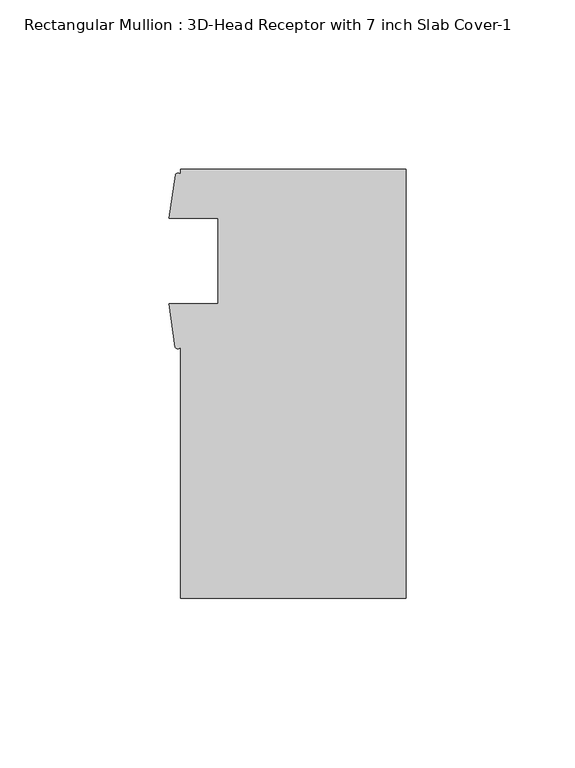
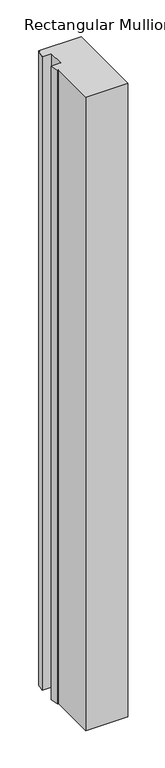
"""IFC4 building model written with IfcOpenShell, lengths in millimetres: member geometry, Rectangular Mullion : 3D-Head Receptor with 7 inch Slab Cover-1."""

from ifc_helpers import new_model, si_unit, point, frame, frame_2d, origin, place, context, project, spatial, polyline, circle_curve, trimmed, segment, composite_curve, outline, extrude, source, transform, mapped, element, save


def rectangular_mullion_3d_head_receptor_with_7_inch_slab_cover_ff585806(model_context):
    return source(origin(), model_context, "Body", "SweptSolid", [
        extrude(outline(composite_curve([segment(polyline([(33.5097609, 53.975), (33.5097609, -73.025), (-33.1652391, -73.025), (-33.1652391, 1.2984222)]), True, "CONTINUOUS"), segment(trimmed(circle_curve(frame_2d((-33.9969413, 1.8459358)), 0.9957408), [point((-33.1652391, 1.2984222))], [point((-34.8286435, 1.2984222))], False, "CARTESIAN"), True, "CONTINUOUS"), segment(polyline([(-34.8286435, 1.2984222), (-36.6847609, 14.071475), (-22.0527391, 14.071475), (-22.0527391, 39.471475), (-36.5612391, 39.471475), (-34.7511354, 52.2427625)]), True, "CONTINUOUS"), segment(trimmed(circle_curve(frame_2d((-33.9581873, 51.7997027)), 0.9083329), [point((-34.7511354, 52.2427625))], [point((-33.1652391, 52.2427625))], False, "CARTESIAN"), True, "CONTINUOUS"), segment(polyline([(-33.1652391, 52.2427625), (-33.1652391, 53.975), (33.5097609, 53.975)]), True, "CONTINUOUS")], self_intersect=False)), frame((0.0, 0.0, -1053.3824224), z_axis=(0.0, 0.0, 1.0), x_axis=(1.0, 0.0, 0.0)), (0.0, 0.0, 1.0), 1053.3824224),
    ])


if __name__ == "__main__":
    model = new_model("IFC4")
    model_context = context("Model", 3, world=origin())
    ifc_project = project(units=[si_unit("LENGTHUNIT", "METRE", prefix="MILLI")], contexts=[model_context])
    site = spatial("IfcSite", under=ifc_project)
    building = spatial("IfcBuilding", under=site)
    placement = place(None, origin())
    rectangular_mullion_3d_head_receptor_with_7_inch_slab_cover_shape = rectangular_mullion_3d_head_receptor_with_7_inch_slab_cover_ff585806(model_context)
    element("IfcMember", 1, ObjectType="Rectangular Mullion : 3D-Head Receptor with 7 inch Slab Cover-1", at=placement, inside=building, context=model_context, shape_type="MappedRepresentation", body=[
        mapped(rectangular_mullion_3d_head_receptor_with_7_inch_slab_cover_shape, transform((0.0, 0.0, 0.0), x_axis=(1.0, 0.0, 0.0), y_axis=(0.0, 1.0, 0.0), z_axis=(0.0, 0.0, 1.0))),
    ])
    save(model, "model.ifc")
